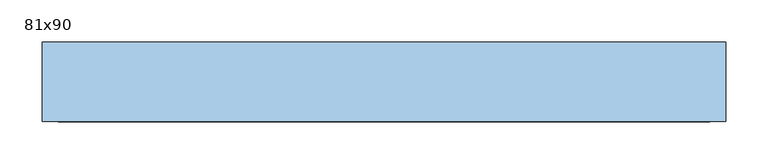
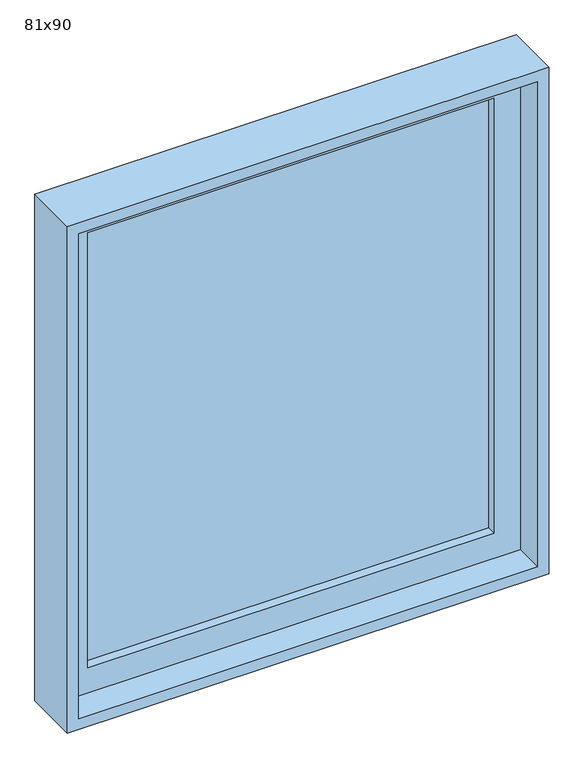
"""IFC4 building model written with IfcOpenShell, lengths in millimetres: window geometry, 81x90."""

from ifc_helpers import new_model, si_unit, frame, origin, place, context, project, spatial, polyline, outline, extrude, source, transform, mapped, element, save


def window_81x90_d6797b00(model_context):
    return source(origin(), model_context, "Body", "SweptSolid", [
        extrude(outline(polyline([(303.4, -101.425), (303.4, -114.125), (-379.6, -114.125), (-379.6, -101.425), (303.4, -101.425)])), frame((0.0, 0.0, 977.9), z_axis=(0.0, 0.0, 1.0), x_axis=(1.0, 0.0, 0.0)), (0.0, 0.0, 1.0), 773.0),
        extrude(outline(polyline([(1795.35, -424.05), (933.45, -424.05), (933.45, 347.85), (1795.35, 347.85), (1795.35, -424.05)]), holes=[polyline([(1750.9, -379.6), (1750.9, 303.4), (977.9, 303.4), (977.9, -379.6), (1750.9, -379.6)])]), frame((0.0, -130.0, 0.0), z_axis=(0.0, 1.0, 0.0), x_axis=(0.0, 0.0, 1.0)), (0.0, 0.0, 1.0), 44.45),
        extrude(outline(polyline([(1814.4, 366.9), (1814.4, -443.1), (914.4, -443.1), (914.4, 366.9), (1814.4, 366.9)]), holes=[polyline([(1795.35, 347.85), (933.45, 347.85), (933.45, -424.05), (1795.35, -424.05), (1795.35, 347.85)])]), frame((0.0, -180.0, 0.0), z_axis=(0.0, 1.0, 0.0), x_axis=(0.0, 0.0, 1.0)), (0.0, 0.0, 1.0), 94.45),
    ])


if __name__ == "__main__":
    model = new_model("IFC4")
    model_context = context("Model", 3, world=origin())
    ifc_project = project(units=[si_unit("LENGTHUNIT", "METRE", prefix="MILLI")], contexts=[model_context])
    site = spatial("IfcSite", under=ifc_project)
    building = spatial("IfcBuilding", under=site)
    placement = place(None, origin())
    window_81x90_shape = window_81x90_d6797b00(model_context)
    element("IfcWindow", 1, ObjectType="81x90", at=placement, inside=building, context=model_context, shape_type="MappedRepresentation", body=[
        mapped(window_81x90_shape, transform((0.0, 0.0, 0.0), x_axis=(1.0, 0.0, 0.0), y_axis=(0.0, 1.0, 0.0), z_axis=(0.0, 0.0, 1.0))),
    ])
    save(model, "model.ifc")
